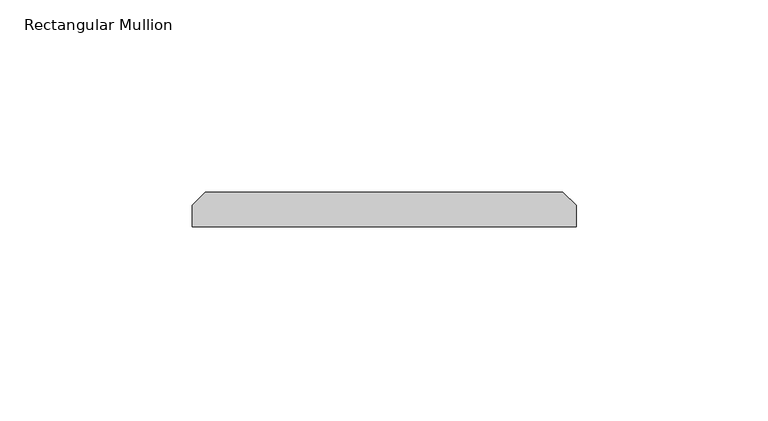
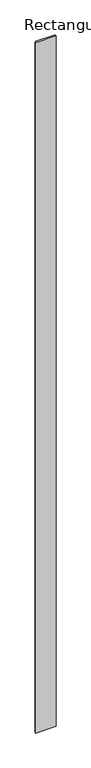
"""IFC4 building model written with IfcOpenShell, lengths in millimetres: member geometry, Rectangular Mullion."""

import ifcopenshell
import ifcopenshell.guid

model = None  # the IFC model being written
_history = None  # IfcOwnerHistory: only IFC2X3 demands one
_inside = {}  # id of a spatial element -> (the spatial element, [elements in it])
_under = {}  # id of a project, library or spatial element -> (it, [spatial elements below it])
_declared = {}  # id of a project -> (the project, [libraries it declares])
_typed = {}  # id of a type object -> (the type object, [elements of that type])
_made_of = {}  # id of a material, layer set ... -> (it, [elements and type objects made of it])


def new_model(schema):
    """Start an empty IFC model of exactly this schema.

    Asked for "IFC4X3", IfcOpenShell would pick the latest addendum, in which some entities
    have other attributes; the version numbers below select the first issue.
    IFC2X3 requires an IfcOwnerHistory on every rooted entity: one is made here for all.
    """
    global model, _history
    if schema == "IFC4X3":
        model = ifcopenshell.file(schema_version=(4, 3, 0, 0))
    else:
        model = ifcopenshell.file(schema=schema)
    _inside.clear()
    _under.clear()
    _declared.clear()
    _typed.clear()
    _made_of.clear()
    _history = None
    if model.schema == "IFC2X3":
        org = make("IfcOrganization", Name="unknown")
        user = make(
            "IfcPersonAndOrganization",
            ThePerson=make("IfcPerson", FamilyName="unknown"),
            TheOrganization=org,
        )
        app = make(
            "IfcApplication",
            ApplicationDeveloper=org,
            Version="unknown",
            ApplicationFullName="unknown",
            ApplicationIdentifier="unknown",
        )
        _history = make(
            "IfcOwnerHistory",
            OwningUser=user,
            OwningApplication=app,
            ChangeAction="ADDED",
            CreationDate=0,
        )
    return model


def make(cls, **values):
    """One entity of the class cls with the attributes given. An attribute that is None is left unset."""
    return model.create_entity(
        cls, **{name: value for name, value in values.items() if value is not None}
    )


def rooted(cls, **values):
    """An entity with a GlobalId (a new one), such as an element, a storey or a relation."""
    return make(cls, GlobalId=ifcopenshell.guid.new(), OwnerHistory=_history, **values)


def si_unit(unit_type, name, prefix=None):
    """IfcSIUnit, for example si_unit("LENGTHUNIT", "METRE", prefix="MILLI")."""
    return make("IfcSIUnit", UnitType=unit_type, Prefix=prefix, Name=name)


def assignment(units):
    """IfcUnitAssignment: the units of a project."""
    return None if units is None else make("IfcUnitAssignment", Units=units)


def point(xyz):
    """IfcCartesianPoint."""
    return None if xyz is None else make("IfcCartesianPoint", Coordinates=xyz)


def direction(xyz):
    """IfcDirection."""
    return None if xyz is None else make("IfcDirection", DirectionRatios=xyz)


def frame(location, z_axis=None, x_axis=None):
    """IfcAxis2Placement3D, a coordinate frame: its origin and axes. An axis left out is left unset."""
    return make(
        "IfcAxis2Placement3D",
        Location=point(location),
        Axis=direction(z_axis),
        RefDirection=direction(x_axis),
    )


def origin():
    """The frame at (0, 0, 0) with its axes left unset."""
    return frame((0.0, 0.0, 0.0))


def place(relative_to, where):
    """IfcLocalPlacement: puts the frame where relative to a parent placement (None: the world)."""
    return make(
        "IfcLocalPlacement", PlacementRelTo=relative_to, RelativePlacement=where
    )


def context(
    kind, dimensions, precision=None, world=None, true_north=None, identifier=None
):
    """IfcGeometricRepresentationContext, for example the 3D "Model" context."""
    return make(
        "IfcGeometricRepresentationContext",
        ContextIdentifier=identifier,
        ContextType=kind,
        CoordinateSpaceDimension=dimensions,
        Precision=precision,
        WorldCoordinateSystem=world,
        TrueNorth=true_north,
    )


def project(units=None, contexts=None):
    """IfcProject with its units and contexts."""
    return rooted(
        "IfcProject",
        Name="project",
        RepresentationContexts=contexts,
        UnitsInContext=assignment(units),
    )


def spatial(cls, under=None, at=None, **own):
    """A site, building, storey or space (cls), placed at a placement, below another one or the project."""
    s = rooted(cls, ObjectPlacement=at, **own)
    if under is not None:
        _under.setdefault(under.id(), (under, []))[1].append(s)
    return s


def polyline(points):
    """IfcPolyline through the points."""
    return make("IfcPolyline", Points=[point(p) for p in points])


def outline(outer, holes=None, kind="AREA"):
    """IfcArbitraryClosedProfileDef: a profile drawn as a closed curve; with holes, ...WithVoids."""
    if holes is None:
        return make("IfcArbitraryClosedProfileDef", ProfileType=kind, OuterCurve=outer)
    return make(
        "IfcArbitraryProfileDefWithVoids",
        ProfileType=kind,
        OuterCurve=outer,
        InnerCurves=holes,
    )


def extrude(swept, where, along, depth):
    """IfcExtrudedAreaSolid: the profile swept, set in the frame where, extruded along a direction by depth."""
    return make(
        "IfcExtrudedAreaSolid",
        SweptArea=swept,
        Position=where,
        ExtrudedDirection=direction(along),
        Depth=depth,
    )


def shape(context_of_items, identifier, shape_type, items):
    """IfcShapeRepresentation: the items that make up one representation, for example the "Body"."""
    return make(
        "IfcShapeRepresentation",
        ContextOfItems=context_of_items,
        RepresentationIdentifier=identifier,
        RepresentationType=shape_type,
        Items=items,
    )


def source(mapping_origin, context_of_items, identifier, shape_type, items):
    """IfcRepresentationMap: a shape defined once, which mapped items show again and again."""
    return make(
        "IfcRepresentationMap",
        MappingOrigin=mapping_origin,
        MappedRepresentation=shape(context_of_items, identifier, shape_type, items),
    )


def transform(
    local_origin,
    x_axis=None,
    y_axis=None,
    z_axis=None,
    scale=None,
    scale2=None,
    scale3=None,
    uniform=True,
):
    """IfcCartesianTransformationOperator3D, or its non-uniform kind. x_axis, y_axis, z_axis: its Axis1, 2, 3."""
    if uniform:
        return make(
            "IfcCartesianTransformationOperator3D",
            Axis1=direction(x_axis),
            Axis2=direction(y_axis),
            LocalOrigin=point(local_origin),
            Scale=scale,
            Axis3=direction(z_axis),
        )
    return make(
        "IfcCartesianTransformationOperator3DnonUniform",
        Axis1=direction(x_axis),
        Axis2=direction(y_axis),
        LocalOrigin=point(local_origin),
        Scale=scale,
        Axis3=direction(z_axis),
        Scale2=scale2,
        Scale3=scale3,
    )


def mapped(mapping_source, mapping_target):
    """IfcMappedItem: shows the shape of a source again, moved by a transform."""
    return make(
        "IfcMappedItem", MappingSource=mapping_source, MappingTarget=mapping_target
    )


def made_of(thing, what):
    """Note that an element or type object is made of a material, layer set ...; save() writes the relation."""
    if what is not None:
        _made_of.setdefault(what.id(), (what, []))[1].append(thing)
    return thing


def element(
    cls,
    number,
    at=None,
    inside=None,
    cuts=None,
    type_object=None,
    material=None,
    context=None,
    identifier="Body",
    shape_type=None,
    held_by="IfcProductDefinitionShape",
    body=None,
    shapes=None,
    **own,
):
    """One element of the class cls, such as IfcWall. Its Tag is "e" and its number.

    at: its placement. inside: the storey or other place that contains it. cuts: it is an
    opening in that element (IfcRelVoidsElement). A single representation is given by context,
    identifier, shape_type and body (its items); several are given by shapes. held_by: the class
    of the entity that holds the representations. save() writes the other relations.
    """
    e = rooted(cls, Tag="e%d" % number, ObjectPlacement=at, **own)
    if body is not None:
        shapes = [shape(context, identifier, shape_type, body)]
    if shapes is not None:
        e.Representation = make(held_by, Representations=shapes)
    if inside is not None:
        _inside.setdefault(inside.id(), (inside, []))[1].append(e)
    if cuts is not None:
        rooted(
            "IfcRelVoidsElement", RelatingBuildingElement=cuts, RelatedOpeningElement=e
        )
    if type_object is not None:
        _typed.setdefault(type_object.id(), (type_object, []))[1].append(e)
    return made_of(e, material)


def aggregate(whole, parts):
    """IfcRelAggregates: a whole, such as a stair, and the parts it consists of."""
    return rooted("IfcRelAggregates", RelatingObject=whole, RelatedObjects=parts)


def save(model, path):
    """Write the relations noted so far, then the file.

    IfcRelAggregates (storeys below a building ...), IfcRelContainedInSpatialStructure (elements
    in a storey), IfcRelDefinesByType, IfcRelAssociatesMaterial and IfcRelDeclares: one each for
    every whole, place, type object, material and project.
    """
    for whole, parts in _under.values():
        aggregate(whole, parts)
    for where, things in _inside.values():
        rooted(
            "IfcRelContainedInSpatialStructure",
            RelatedElements=things,
            RelatingStructure=where,
        )
    for kind, things in _typed.values():
        rooted("IfcRelDefinesByType", RelatedObjects=things, RelatingType=kind)
    for what, things in _made_of.values():
        rooted("IfcRelAssociatesMaterial", RelatedObjects=things, RelatingMaterial=what)
    for by, libraries in _declared.values():
        rooted("IfcRelDeclares", RelatingContext=by, RelatedDefinitions=libraries)
    model.write(path)


def rectangular_mullion_2b8edbec(model_context):
    return source(origin(), model_context, "Body", "SweptSolid", [
        extrude(outline(polyline([(50.0, 0.0), (-50.0, 0.0), (-50.0, 5.5), (-46.5, 9.0), (46.5, 9.0), (50.0, 5.5), (50.0, 0.0)])), frame((0.0, 0.0, -3600.0), z_axis=(0.0, 0.0, 1.0), x_axis=(1.0, 0.0, 0.0)), (0.0, 0.0, 1.0), 3600.0),
    ])


if __name__ == "__main__":
    model = new_model("IFC4")
    model_context = context("Model", 3, world=origin())
    ifc_project = project(units=[si_unit("LENGTHUNIT", "METRE", prefix="MILLI")], contexts=[model_context])
    site = spatial("IfcSite", under=ifc_project)
    building = spatial("IfcBuilding", under=site)
    placement = place(None, origin())
    rectangular_mullion_shape = rectangular_mullion_2b8edbec(model_context)
    element("IfcMember", 1, ObjectType="Rectangular Mullion", at=placement, inside=building, context=model_context, shape_type="MappedRepresentation", body=[
        mapped(rectangular_mullion_shape, transform((0.0, 0.0, 0.0), x_axis=(1.0, 0.0, 0.0), y_axis=(0.0, 1.0, 0.0), z_axis=(0.0, 0.0, 1.0))),
    ])
    save(model, "model.ifc")
